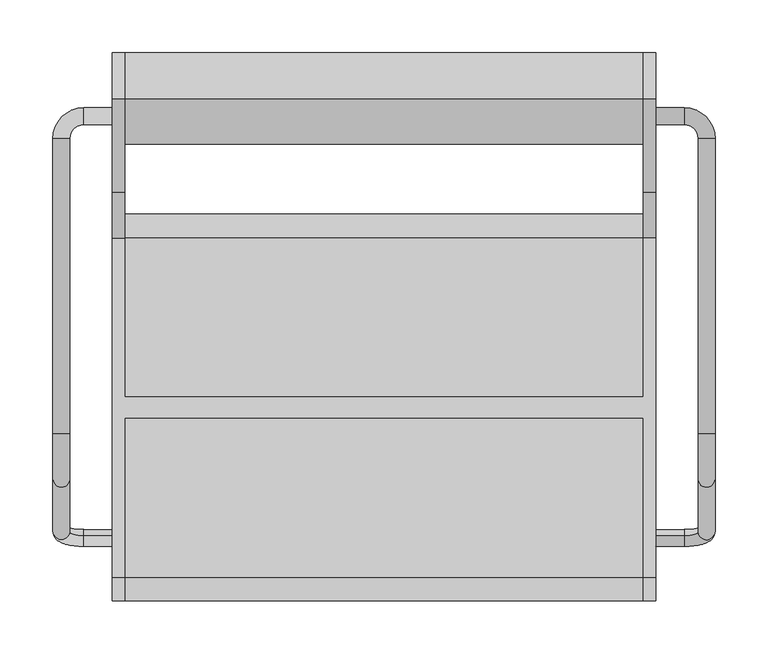
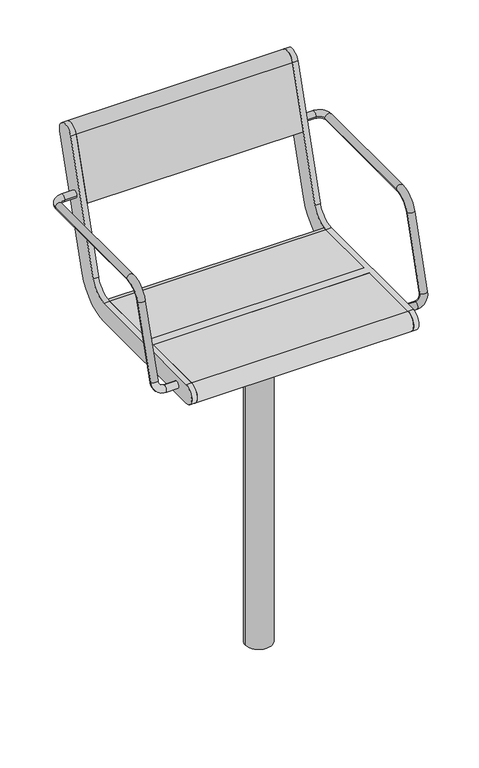
"""IFC4 building model written with IfcOpenShell, lengths in millimetres: furniture geometry."""

from ifc_helpers import new_model, si_unit, point, frame, frame_2d, origin, origin_2d, place, context, project, spatial, polyline, circle_curve, ellipse_curve, trimmed, segment, composite_curve, outline, extrude, source, transform, mapped, element, save
from ifc_brep_helpers import plane_surface, cylinder_surface, revolved_surface, advanced_brep


def furniture_de04de9e(model_context):
    return source(origin(), model_context, "Body", "SolidModel", [
        extrude(outline(composite_curve([segment(trimmed(circle_curve(origin_2d(), 30.0), [point((-30.0, 0.0))], [point((30.0, 0.0))], False, "CARTESIAN"), True, "CONTINUOUS"), segment(trimmed(circle_curve(origin_2d(), 30.0), [point((30.0, 0.0))], [point((-30.0, 0.0))], False, "CARTESIAN"), True, "CONTINUOUS")], self_intersect=False)), frame((0.0, 0.0, -350.0), z_axis=(0.0, 0.0, 1.0), x_axis=(1.0, 0.0, 0.0)), (0.0, 0.0, 1.0), 739.0),
        extrude(outline(polyline([(75.0, 125.0), (75.0, -125.0), (-75.0, -125.0), (-75.0, 125.0), (75.0, 125.0)])), frame((0.0, 0.0, 389.0), z_axis=(0.0, 0.0, 1.0), x_axis=(1.0, 0.0, 0.0)), (0.0, 0.0, 1.0), 16.0),
        advanced_brep(
        [(-257.0, -121.6610264, 435.150438), (-257.0, -126.3389736, 419.849562), (-284.0, -126.3389736, 419.849562), (-284.0, -121.6610264, 435.150438), (-313.0, -117.8601942, 447.5823999), (-297.0, -117.8601942, 447.5823999), (-313.0, 254.0, 641.5), (-313.0, -25.2753858, 641.5), (-297.0, -25.2753858, 641.5), (-297.0, 254.0, 641.5), (-297.0, -68.3090998, 609.6567267), (-313.0, -68.3090998, 609.6567267), (-257.0, 267.0, 641.5), (-257.0, 283.0, 641.5), (-284.0, 283.0, 641.5), (-284.0, 267.0, 641.5)],
        [
            (0, 1, circle_curve(frame((-257.0, -124.0, 427.5), z_axis=(1.0, 0.0, 0.0), x_axis=(0.0, -0.2923717047227402, -0.9563047559630344)), 8.0)),
            (1, 0, circle_curve(frame((-257.0, -124.0, 427.5), z_axis=(1.0, 0.0, 0.0), x_axis=(0.0, -0.2923717047227402, -0.9563047559630344)), 8.0)),
            (1, 2),
            (2, 3, circle_curve(frame((-284.0, -124.0, 427.5), z_axis=(1.0, 0.0, 0.0), x_axis=(0.0, -0.2923717047227402, -0.9563047559630344)), 8.0)),
            (3, 0),
            (3, 2, circle_curve(frame((-284.0, -124.0, 427.5), z_axis=(1.0, 0.0, 0.0), x_axis=(0.0, -0.2923717047227402, -0.9563047559630344)), 8.0)),
            (2, 4, circle_curve(frame((-284.0, -117.8601942, 447.5823999), z_axis=(0.0, 0.9563047559630344, -0.29237170472274027), x_axis=(0.0, -0.29237170472274027, -0.9563047559630344)), 29.0)),
            (4, 5, circle_curve(frame((-305.0, -117.8601942, 447.5823999), z_axis=(0.0, -0.29237170472274027, -0.9563047559630344), x_axis=(-1.0, 0.0, 0.0)), 8.0)),
            (5, 3, circle_curve(frame((-284.0, -117.8601942, 447.5823999), z_axis=(0.0, -0.9563047559630344, 0.29237170472274027), x_axis=(0.0, -0.29237170472274027, -0.9563047559630344)), 13.0)),
            (5, 4, circle_curve(frame((-305.0, -117.8601942, 447.5823999), z_axis=(0.0, -0.29237170472274027, -0.9563047559630344), x_axis=(-1.0, 0.0, 0.0)), 8.0)),
            (6, 7),
            (7, 8, circle_curve(frame((-305.0, -25.2753858, 641.5), z_axis=(0.0, 1.0, 0.0), x_axis=(-1.0, 0.0, 0.0)), 8.0)),
            (8, 9),
            (9, 6, circle_curve(frame((-305.0, 254.0, 641.5), z_axis=(0.0, -1.0, 0.0), x_axis=(-1.0, 0.0, 0.0)), 8.0)),
            (6, 9, circle_curve(frame((-305.0, 254.0, 641.5), z_axis=(0.0, -1.0, 0.0), x_axis=(-1.0, 0.0, 0.0)), 8.0)),
            (8, 7, circle_curve(frame((-305.0, -25.2753858, 641.5), z_axis=(0.0, 1.0, 0.0), x_axis=(-1.0, 0.0, 0.0)), 8.0)),
            (10, 11, circle_curve(frame((-305.0, -68.3090998, 609.6567267), z_axis=(0.0, -0.2923717047227378, -0.9563047559630351), x_axis=(-1.0, 0.0, 0.0)), 8.0)),
            (11, 4),
            (5, 10),
            (11, 10, circle_curve(frame((-305.0, -68.3090998, 609.6567267), z_axis=(0.0, -0.2923717047227378, -0.9563047559630351), x_axis=(-1.0, 0.0, 0.0)), 8.0)),
            (7, 11, circle_curve(frame((-313.0, -25.2753858, 596.5), z_axis=(1.0, 0.0, 0.0), x_axis=(0.0, 0.0, 1.0)), 45.0)),
            (10, 8, circle_curve(frame((-297.0, -25.2753858, 596.5), z_axis=(-1.0, 0.0, 0.0), x_axis=(0.0, 0.0, 1.0)), 45.0)),
            (12, 13, circle_curve(frame((-257.0, 275.0, 641.5), z_axis=(1.0, 0.0, 0.0), x_axis=(0.0, 1.0, 0.0)), 8.0)),
            (13, 12, circle_curve(frame((-257.0, 275.0, 641.5), z_axis=(1.0, 0.0, 0.0), x_axis=(0.0, 1.0, 0.0)), 8.0)),
            (13, 14),
            (14, 15, circle_curve(frame((-284.0, 275.0, 641.5), z_axis=(1.0, 0.0, 0.0), x_axis=(0.0, 1.0, 0.0)), 8.0)),
            (15, 12),
            (15, 14, circle_curve(frame((-284.0, 275.0, 641.5), z_axis=(1.0, 0.0, 0.0), x_axis=(0.0, 1.0, 0.0)), 8.0)),
            (14, 6, circle_curve(frame((-284.0, 254.0, 641.5), z_axis=(0.0, 0.0, 1.0), x_axis=(0.0, 1.0, 0.0)), 29.0)),
            (9, 15, circle_curve(frame((-284.0, 254.0, 641.5), z_axis=(0.0, 0.0, -1.0), x_axis=(0.0, 1.0, 0.0)), 13.0)),
        ],
        [
            plane_surface(frame((-257.0, -737.469501, 615.0564486), z_axis=(1.0, 0.0, 0.0), x_axis=(0.0, 0.9563047559630344, -0.29237170472274027))),
            cylinder_surface(frame((-257.0, -124.0, 427.5), z_axis=(1.0, 0.0, 0.0), x_axis=(0.0, -0.2923717047227402, -0.9563047559630344)), 8.0),
            revolved_surface(trimmed(ellipse_curve(frame((-284.0, -124.0, 427.5), z_axis=(1.0, 0.0, 0.0), x_axis=(0.0, -0.2923717047227402, -0.9563047559630344)), 8.0, 8.0), [point((-284.0, -126.3389736, 419.849562))], [point((-284.0, -121.6610264, 435.150438))], True, "CARTESIAN"), (-284.0, -731.3296952, 635.1388485), (0.0, 0.9563047559630344, -0.29237170472274027)),
            revolved_surface(trimmed(ellipse_curve(frame((-284.0, -124.0, 427.5), z_axis=(1.0, 0.0, 0.0), x_axis=(0.0, -0.2923717047227402, -0.9563047559630344)), 8.0, 8.0), [point((-284.0, -121.6610264, 435.150438))], [point((-284.0, -126.3389736, 419.849562))], True, "CARTESIAN"), (-284.0, -731.3296952, 635.1388485), (0.0, 0.9563047559630344, -0.29237170472274027)),
            cylinder_surface(frame((-305.0, 254.0, 641.5), z_axis=(0.0, 1.0, 0.0), x_axis=(-1.0, 0.0, 0.0)), 8.0),
            cylinder_surface(frame((-305.0, -68.3090998, 609.6567267), z_axis=(0.0, 0.2923717047227378, 0.9563047559630351), x_axis=(-1.0, 0.0, 0.0)), 8.0),
            revolved_surface(trimmed(ellipse_curve(frame((-305.0, -25.2753858, 641.5), z_axis=(0.0, 1.0, 0.0), x_axis=(-1.0, 0.0, 0.0)), 8.0, 8.0), [point((-313.0, -25.2753858, 641.5))], [point((-297.0, -25.2753858, 641.5))], True, "CARTESIAN"), (0.0, -25.2753858, 596.5), (1.0, 0.0, 0.0)),
            revolved_surface(trimmed(ellipse_curve(frame((-305.0, -25.2753858, 641.5), z_axis=(0.0, 1.0, 0.0), x_axis=(-1.0, 0.0, 0.0)), 8.0, 8.0), [point((-297.0, -25.2753858, 641.5))], [point((-313.0, -25.2753858, 641.5))], True, "CARTESIAN"), (0.0, -25.2753858, 596.5), (1.0, 0.0, 0.0)),
            plane_surface(frame((-257.0, 275.0, 405.0), z_axis=(1.0, 0.0, 0.0), x_axis=(0.0, 0.0, 1.0))),
            cylinder_surface(frame((-257.0, 275.0, 641.5), z_axis=(1.0, 0.0, 0.0), x_axis=(0.0, 1.0, 0.0)), 8.0),
            revolved_surface(trimmed(ellipse_curve(frame((-284.0, 275.0, 641.5), z_axis=(1.0, 0.0, 0.0), x_axis=(0.0, 1.0, 0.0)), 8.0, 8.0), [point((-284.0, 283.0, 641.5))], [point((-284.0, 267.0, 641.5))], True, "CARTESIAN"), (-284.0, 254.0, 405.0), (0.0, 0.0, 1.0)),
            revolved_surface(trimmed(ellipse_curve(frame((-284.0, 275.0, 641.5), z_axis=(1.0, 0.0, 0.0), x_axis=(0.0, 1.0, 0.0)), 8.0, 8.0), [point((-284.0, 267.0, 641.5))], [point((-284.0, 283.0, 641.5))], True, "CARTESIAN"), (-284.0, 254.0, 405.0), (0.0, 0.0, 1.0)),
        ],
        [
            (0, [[1, 2]]),
            (1, [[-2, 3, 4, 5]]),
            (1, [[-1, -5, 6, -3]]),
            (2, [[-4, 7, 8, 9]]),
            (3, [[-6, -9, 10, -7]]),
            (4, [[11, 12, 13, 14]]),
            (4, [[-11, 15, -13, 16]]),
            (5, [[17, 18, -10, 19]]),
            (5, [[-18, 20, -19, -8]]),
            (6, [[-12, 21, -17, 22]]),
            (7, [[-16, -22, -20, -21]]),
            (8, [[23, 24]]),
            (9, [[-24, 25, 26, 27]]),
            (9, [[-23, -27, 28, -25]]),
            (10, [[-26, 29, -14, 30]]),
            (11, [[-28, -30, -15, -29]]),
        ],
    ),
        advanced_brep(
        [(297.0, 254.0, 641.5), (297.0, -25.2753858, 641.5), (313.0, -25.2753858, 641.5), (313.0, 254.0, 641.5), (313.0, -68.3090998, 609.6567267), (297.0, -68.3090998, 609.6567267), (297.0, -117.8601942, 447.5823999), (313.0, -117.8601942, 447.5823999), (257.0, 267.0, 641.5), (257.0, 283.0, 641.5), (284.0, 267.0, 641.5), (284.0, 283.0, 641.5), (257.0, -121.6610264, 435.150438), (257.0, -126.3389736, 419.849562), (284.0, -121.6610264, 435.150438), (284.0, -126.3389736, 419.849562)],
        [
            (0, 1),
            (1, 2, circle_curve(frame((305.0, -25.2753858, 641.5), z_axis=(0.0, 1.0, 0.0), x_axis=(1.0, 0.0, 0.0)), 8.0)),
            (2, 3),
            (3, 0, circle_curve(frame((305.0, 254.0, 641.5), z_axis=(0.0, -1.0, 0.0), x_axis=(1.0, 0.0, 0.0)), 8.0)),
            (0, 3, circle_curve(frame((305.0, 254.0, 641.5), z_axis=(0.0, -1.0, 0.0), x_axis=(1.0, 0.0, 0.0)), 8.0)),
            (2, 1, circle_curve(frame((305.0, -25.2753858, 641.5), z_axis=(0.0, 1.0, 0.0), x_axis=(1.0, 0.0, 0.0)), 8.0)),
            (4, 5, circle_curve(frame((305.0, -68.3090998, 609.6567267), z_axis=(0.0, -0.2923717047227378, -0.9563047559630351), x_axis=(1.0, 0.0, 0.0)), 8.0)),
            (5, 6),
            (6, 7, circle_curve(frame((305.0, -117.8601942, 447.5823999), z_axis=(0.0, 0.2923717047227378, 0.9563047559630351), x_axis=(1.0, 0.0, 0.0)), 8.0)),
            (7, 4),
            (5, 4, circle_curve(frame((305.0, -68.3090998, 609.6567267), z_axis=(0.0, -0.2923717047227378, -0.9563047559630351), x_axis=(1.0, 0.0, 0.0)), 8.0)),
            (7, 6, circle_curve(frame((305.0, -117.8601942, 447.5823999), z_axis=(0.0, 0.2923717047227378, 0.9563047559630351), x_axis=(1.0, 0.0, 0.0)), 8.0)),
            (1, 5, circle_curve(frame((297.0, -25.2753858, 596.5), z_axis=(1.0, 0.0, 0.0), x_axis=(0.0, 0.0, 1.0)), 45.0)),
            (4, 2, circle_curve(frame((313.0, -25.2753858, 596.5), z_axis=(-1.0, 0.0, 0.0), x_axis=(0.0, 0.0, 1.0)), 45.0)),
            (8, 9, circle_curve(frame((257.0, 275.0, 641.5), z_axis=(-1.0, 0.0, 0.0), x_axis=(0.0, 1.0, 0.0)), 8.0)),
            (9, 8, circle_curve(frame((257.0, 275.0, 641.5), z_axis=(-1.0, 0.0, 0.0), x_axis=(0.0, 1.0, 0.0)), 8.0)),
            (8, 10),
            (10, 11, circle_curve(frame((284.0, 275.0, 641.5), z_axis=(-1.0, 0.0, 0.0), x_axis=(0.0, 1.0, 0.0)), 8.0)),
            (11, 9),
            (11, 10, circle_curve(frame((284.0, 275.0, 641.5), z_axis=(-1.0, 0.0, 0.0), x_axis=(0.0, 1.0, 0.0)), 8.0)),
            (10, 0, circle_curve(frame((284.0, 254.0, 641.5), z_axis=(0.0, 0.0, -1.0), x_axis=(0.0, 1.0, 0.0)), 13.0)),
            (3, 11, circle_curve(frame((284.0, 254.0, 641.5), z_axis=(0.0, 0.0, 1.0), x_axis=(0.0, 1.0, 0.0)), 29.0)),
            (12, 13, circle_curve(frame((257.0, -124.0, 427.5), z_axis=(-1.0, 0.0, 0.0), x_axis=(0.0, -0.2923717047227402, -0.9563047559630344)), 8.0)),
            (13, 12, circle_curve(frame((257.0, -124.0, 427.5), z_axis=(-1.0, 0.0, 0.0), x_axis=(0.0, -0.2923717047227402, -0.9563047559630344)), 8.0)),
            (12, 14),
            (14, 15, circle_curve(frame((284.0, -124.0, 427.5), z_axis=(-1.0, 0.0, 0.0), x_axis=(0.0, -0.2923717047227402, -0.9563047559630344)), 8.0)),
            (15, 13),
            (15, 14, circle_curve(frame((284.0, -124.0, 427.5), z_axis=(-1.0, 0.0, 0.0), x_axis=(0.0, -0.2923717047227402, -0.9563047559630344)), 8.0)),
            (14, 6, circle_curve(frame((284.0, -117.8601942, 447.5823999), z_axis=(0.0, -0.9563047559630344, 0.2923717047227402), x_axis=(0.0, -0.2923717047227402, -0.9563047559630344)), 13.0)),
            (7, 15, circle_curve(frame((284.0, -117.8601942, 447.5823999), z_axis=(0.0, 0.9563047559630344, -0.2923717047227402), x_axis=(0.0, -0.2923717047227402, -0.9563047559630344)), 29.0)),
        ],
        [
            cylinder_surface(frame((305.0, 254.0, 641.5), z_axis=(0.0, 1.0, 0.0), x_axis=(1.0, 0.0, 0.0)), 8.0),
            cylinder_surface(frame((305.0, -68.3090998, 609.6567267), z_axis=(0.0, 0.2923717047227378, 0.9563047559630351), x_axis=(1.0, 0.0, 0.0)), 8.0),
            revolved_surface(trimmed(ellipse_curve(frame((305.0, -25.2753858, 641.5), z_axis=(0.0, 1.0, 0.0), x_axis=(1.0, 0.0, 0.0)), 8.0, 8.0), [point((297.0, -25.2753858, 641.5))], [point((313.0, -25.2753858, 641.5))], True, "CARTESIAN"), (0.0, -25.2753858, 596.5), (1.0, 0.0, 0.0)),
            revolved_surface(trimmed(ellipse_curve(frame((305.0, -25.2753858, 641.5), z_axis=(0.0, 1.0, 0.0), x_axis=(1.0, 0.0, 0.0)), 8.0, 8.0), [point((313.0, -25.2753858, 641.5))], [point((297.0, -25.2753858, 641.5))], True, "CARTESIAN"), (0.0, -25.2753858, 596.5), (1.0, 0.0, 0.0)),
            plane_surface(frame((257.0, 275.0, 405.0), z_axis=(-1.0, 0.0, 0.0), x_axis=(0.0, 0.0, 1.0))),
            cylinder_surface(frame((257.0, 275.0, 641.5), z_axis=(-1.0, 0.0, 0.0), x_axis=(0.0, 1.0, 0.0)), 8.0),
            revolved_surface(trimmed(ellipse_curve(frame((284.0, 275.0, 641.5), z_axis=(-1.0, 0.0, 0.0), x_axis=(0.0, 1.0, 0.0)), 8.0, 8.0), [point((284.0, 267.0, 641.5))], [point((284.0, 283.0, 641.5))], True, "CARTESIAN"), (284.0, 254.0, 405.0), (0.0, 0.0, -1.0)),
            revolved_surface(trimmed(ellipse_curve(frame((284.0, 275.0, 641.5), z_axis=(-1.0, 0.0, 0.0), x_axis=(0.0, 1.0, 0.0)), 8.0, 8.0), [point((284.0, 283.0, 641.5))], [point((284.0, 267.0, 641.5))], True, "CARTESIAN"), (284.0, 254.0, 405.0), (0.0, 0.0, -1.0)),
            plane_surface(frame((257.0, -737.469501, 615.0564486), z_axis=(-1.0, 0.0, 0.0), x_axis=(0.0, 0.9563047559630344, -0.2923717047227402))),
            cylinder_surface(frame((257.0, -124.0, 427.5), z_axis=(-1.0, 0.0, 0.0), x_axis=(0.0, -0.2923717047227402, -0.9563047559630344)), 8.0),
            revolved_surface(trimmed(ellipse_curve(frame((284.0, -124.0, 427.5), z_axis=(-1.0, 0.0, 0.0), x_axis=(0.0, -0.2923717047227402, -0.9563047559630344)), 8.0, 8.0), [point((284.0, -121.6610264, 435.150438))], [point((284.0, -126.3389736, 419.849562))], True, "CARTESIAN"), (284.0, -731.3296952, 635.1388485), (0.0, -0.9563047559630344, 0.2923717047227402)),
            revolved_surface(trimmed(ellipse_curve(frame((284.0, -124.0, 427.5), z_axis=(-1.0, 0.0, 0.0), x_axis=(0.0, -0.2923717047227402, -0.9563047559630344)), 8.0, 8.0), [point((284.0, -126.3389736, 419.849562))], [point((284.0, -121.6610264, 435.150438))], True, "CARTESIAN"), (284.0, -731.3296952, 635.1388485), (0.0, -0.9563047559630344, 0.2923717047227402)),
        ],
        [
            (0, [[1, 2, 3, 4]]),
            (0, [[-1, 5, -3, 6]]),
            (1, [[7, 8, 9, 10]]),
            (1, [[-8, 11, -10, 12]]),
            (2, [[-2, 13, -7, 14]]),
            (3, [[-6, -14, -11, -13]]),
            (4, [[15, 16]]),
            (5, [[-15, 17, 18, 19]]),
            (5, [[-16, -19, 20, -17]]),
            (6, [[-18, 21, -4, 22]]),
            (7, [[-20, -22, -5, -21]]),
            (8, [[23, 24]]),
            (9, [[-23, 25, 26, 27]]),
            (9, [[-24, -27, 28, -25]]),
            (10, [[-26, 29, -12, 30]]),
            (11, [[-28, -30, -9, -29]]),
        ],
    ),
        advanced_brep(
        [(-245.0, 291.0375971, 769.6910048), (-245.0, 203.033714, 481.8432733), (-245.0, 160.0, 450.0), (-245.0, 9.5, 450.0), (-245.0, 9.5, 405.0), (-245.0, 160.0, 405.0), (-245.0, 246.067428, 468.6865466), (-245.0, 334.0713112, 756.5342781), (-245.0, -161.0, 450.0), (-245.0, -161.0, 405.0), (-245.0, -10.5, 405.0), (-245.0, -10.5, 450.0), (-257.0, 291.0375971, 769.6910048), (-257.0, 334.0713112, 756.5342781), (-257.0, 246.067428, 468.6865466), (-257.0, 160.0, 405.0), (-257.0, -161.0, 405.0), (-257.0, -161.0, 450.0), (-257.0, 160.0, 450.0), (-257.0, 203.033714, 481.8432733), (245.0, -10.5, 450.0), (245.0, -161.0, 450.0), (257.0, -161.0, 450.0), (257.0, 160.0, 450.0), (245.0, 160.0, 450.0), (245.0, 9.5, 450.0), (245.0, 9.5, 405.0), (245.0, 160.0, 405.0), (257.0, 160.0, 405.0), (257.0, -161.0, 405.0), (245.0, -161.0, 405.0), (245.0, -10.5, 405.0), (257.0, 291.0375971, 769.6910048), (257.0, 203.033714, 481.8432733), (257.0, 246.067428, 468.6865466), (257.0, 334.0713112, 756.5342781), (245.0, 291.0375971, 769.6910048), (245.0, 334.0713112, 756.5342781), (245.0, 246.067428, 468.6865466), (245.0, 203.033714, 481.8432733)],
        [
            (0, 1),
            (1, 2, circle_curve(frame((-245.0, 160.0, 495.0), z_axis=(-1.0, 0.0, 0.0), x_axis=(0.0, -1.0, 0.0)), 45.0)),
            (2, 3),
            (3, 4),
            (4, 5),
            (5, 6, circle_curve(frame((-245.0, 160.0, 495.0), z_axis=(1.0, 0.0, 0.0), x_axis=(0.0, -1.0, 0.0)), 90.0)),
            (6, 7),
            (7, 0, circle_curve(frame((-245.0, 312.5544541, 763.1126415), z_axis=(1.0, 0.0, 0.0), x_axis=(0.0, -1.0, 0.0)), 22.5)),
            (8, 9, circle_curve(frame((-245.0, -161.0, 427.5), z_axis=(1.0, 0.0, 0.0), x_axis=(0.0, -1.0, 0.0)), 22.5)),
            (9, 10),
            (10, 11),
            (11, 8),
            (12, 13, circle_curve(frame((-257.0, 312.5544541, 763.1126415), z_axis=(-1.0, 0.0, 0.0), x_axis=(0.0, -1.0, 0.0)), 22.5)),
            (13, 14),
            (14, 15, circle_curve(frame((-257.0, 160.0, 495.0), z_axis=(-1.0, 0.0, 0.0), x_axis=(0.0, -1.0, 0.0)), 90.0)),
            (15, 16),
            (16, 17, circle_curve(frame((-257.0, -161.0, 427.5), z_axis=(-1.0, 0.0, 0.0), x_axis=(0.0, -1.0, 0.0)), 22.5)),
            (17, 18),
            (18, 19, circle_curve(frame((-257.0, 160.0, 495.0), z_axis=(1.0, 0.0, 0.0), x_axis=(0.0, -1.0, 0.0)), 45.0)),
            (19, 12),
            (0, 12),
            (19, 1),
            (18, 2),
            (17, 8),
            (11, 20),
            (20, 21),
            (21, 22),
            (22, 23),
            (23, 24),
            (24, 25),
            (25, 3),
            (15, 5),
            (4, 26),
            (26, 27),
            (27, 28),
            (28, 29),
            (29, 30),
            (30, 31),
            (31, 10),
            (9, 16),
            (14, 6),
            (13, 7),
            (31, 20),
            (25, 26),
            (32, 33),
            (33, 23, circle_curve(frame((257.0, 160.0, 495.0), z_axis=(-1.0, 0.0, 0.0), x_axis=(0.0, -1.0, 0.0)), 45.0)),
            (22, 29, circle_curve(frame((257.0, -161.0, 427.5), z_axis=(1.0, 0.0, 0.0), x_axis=(0.0, -1.0, 0.0)), 22.5)),
            (28, 34, circle_curve(frame((257.0, 160.0, 495.0), z_axis=(1.0, 0.0, 0.0), x_axis=(0.0, -1.0, 0.0)), 90.0)),
            (34, 35),
            (35, 32, circle_curve(frame((257.0, 312.5544541, 763.1126415), z_axis=(1.0, 0.0, 0.0), x_axis=(0.0, -1.0, 0.0)), 22.5)),
            (36, 37, circle_curve(frame((245.0, 312.5544541, 763.1126415), z_axis=(-1.0, 0.0, 0.0), x_axis=(0.0, -1.0, 0.0)), 22.5)),
            (37, 38),
            (38, 27, circle_curve(frame((245.0, 160.0, 495.0), z_axis=(-1.0, 0.0, 0.0), x_axis=(0.0, -1.0, 0.0)), 90.0)),
            (24, 39, circle_curve(frame((245.0, 160.0, 495.0), z_axis=(1.0, 0.0, 0.0), x_axis=(0.0, -1.0, 0.0)), 45.0)),
            (39, 36),
            (30, 21, circle_curve(frame((245.0, -161.0, 427.5), z_axis=(-1.0, 0.0, 0.0), x_axis=(0.0, -1.0, 0.0)), 22.5)),
            (32, 36),
            (39, 33),
            (38, 34),
            (37, 35),
        ],
        [
            plane_surface(frame((-245.0, 203.033714, 481.8432733), z_axis=(1.0000000000000002, 0.0, 0.0), x_axis=(0.0, -0.29237170472273394, -0.9563047559630364))),
            plane_surface(frame((-257.0, 203.033714, 481.8432733), z_axis=(-1.0000000000000002, 0.0, 0.0), x_axis=(0.0, 0.29237170472273394, 0.9563047559630364))),
            plane_surface(frame((-245.0, 291.0375971, 769.6910048), z_axis=(0.0, -0.9563047559630364, 0.29237170472273394), x_axis=(-1.0, 0.0, 0.0))),
            revolved_surface(polyline([(-257.0, 115.0, 495.0), (-245.0, 115.0, 495.0)]), (-257.0, 160.0, 495.0), (-1.0, 0.0, 0.0)),
            plane_surface(frame((-245.0, 160.0, 450.0), z_axis=(0.0, 0.0, 1.0), x_axis=(-1.0, 0.0, 0.0))),
            plane_surface(frame((-245.0, -161.0, 405.0), z_axis=(0.0, 0.0, -1.0), x_axis=(-1.0, 0.0, 0.0))),
            cylinder_surface(frame((-257.0, 160.0, 495.0), z_axis=(1.0, 0.0, 0.0), x_axis=(0.0, -1.0, 0.0)), 90.0),
            plane_surface(frame((-245.0, 246.067428, 468.6865466), z_axis=(0.0, 0.9563047559630364, -0.29237170472273366), x_axis=(-1.0, 0.0, 0.0))),
            cylinder_surface(frame((-257.0, 312.5544541, 763.1126415), z_axis=(1.0, 0.0, 0.0), x_axis=(0.0, -1.0, 0.0)), 22.5),
            cylinder_surface(frame((-257.0, -161.0, 427.5), z_axis=(1.0, 0.0, 0.0), x_axis=(0.0, -1.0, 0.0)), 22.5),
            plane_surface(frame((245.0, -10.5, 450.0), z_axis=(0.0, -1.0, 0.0), x_axis=(-1.0, 0.0, 0.0))),
            plane_surface(frame((245.0, 9.5, 405.0), z_axis=(0.0, 1.0, 0.0), x_axis=(-1.0, 0.0, 0.0))),
            plane_surface(frame((257.0, 203.033714, 481.8432733), z_axis=(1.0000000000000002, 0.0, 0.0), x_axis=(0.0, -0.29237170472273394, -0.9563047559630364))),
            plane_surface(frame((245.0, 203.033714, 481.8432733), z_axis=(-1.0000000000000002, 0.0, 0.0), x_axis=(0.0, 0.29237170472273394, 0.9563047559630364))),
            plane_surface(frame((257.0, 291.0375971, 769.6910048), z_axis=(0.0, -0.9563047559630364, 0.29237170472273394), x_axis=(-1.0, 0.0, 0.0))),
            revolved_surface(polyline([(245.0, 115.0, 495.0), (257.0, 115.0, 495.0)]), (245.0, 160.0, 495.0), (-1.0, 0.0, 0.0)),
            cylinder_surface(frame((245.0, 160.0, 495.0), z_axis=(1.0, 0.0, 0.0), x_axis=(0.0, -1.0, 0.0)), 90.0),
            plane_surface(frame((257.0, 246.067428, 468.6865466), z_axis=(0.0, 0.9563047559630364, -0.29237170472273366), x_axis=(-1.0, 0.0, 0.0))),
            cylinder_surface(frame((245.0, 312.5544541, 763.1126415), z_axis=(1.0, 0.0, 0.0), x_axis=(0.0, -1.0, 0.0)), 22.5),
            cylinder_surface(frame((245.0, -161.0, 427.5), z_axis=(1.0, 0.0, 0.0), x_axis=(0.0, -1.0, 0.0)), 22.5),
        ],
        [
            (0, [[1, 2, 3, 4, 5, 6, 7, 8]]),
            (0, [[9, 10, 11, 12]]),
            (1, [[13, 14, 15, 16, 17, 18, 19, 20]]),
            (2, [[-1, 21, -20, 22]]),
            (3, [[-2, -22, -19, 23]]),
            (4, [[-18, 24, -12, 25, 26, 27, 28, 29, 30, 31, -3, -23]]),
            (5, [[-16, 32, -5, 33, 34, 35, 36, 37, 38, 39, -10, 40]]),
            (6, [[-6, -32, -15, 41]]),
            (7, [[-7, -41, -14, 42]]),
            (8, [[-8, -42, -13, -21]]),
            (9, [[-9, -24, -17, -40]]),
            (10, [[-25, -11, -39, 43]]),
            (11, [[-31, 44, -33, -4]]),
            (12, [[45, 46, -28, 47, -36, 48, 49, 50]]),
            (13, [[51, 52, 53, -34, -44, -30, 54, 55]]),
            (13, [[56, -26, -43, -38]]),
            (14, [[-45, 57, -55, 58]]),
            (15, [[-46, -58, -54, -29]]),
            (16, [[-48, -35, -53, 59]]),
            (17, [[-49, -59, -52, 60]]),
            (18, [[-50, -60, -51, -57]]),
            (19, [[-47, -27, -56, -37]]),
        ],
    ),
        extrude(outline(composite_curve([segment(trimmed(circle_curve(frame_2d((312.5544541, 763.1126415)), 22.5), [point((291.0375971, 769.6910048))], [point((334.0713112, 756.5342781))], False, "CARTESIAN"), True, "CONTINUOUS"), segment(polyline([(334.0713112, 756.5342781), (291.5312281, 617.3919361), (248.4975141, 630.5486628), (291.0375971, 769.6910048)]), True, "CONTINUOUS")], self_intersect=False)), frame((-245.0, 0.0, 0.0), z_axis=(1.0, 0.0, 0.0), x_axis=(0.0, 1.0, 0.0)), (0.0, 0.0, 1.0), 490.0),
        extrude(outline(composite_curve([segment(polyline([(9.5, 405.0), (9.5, 450.0), (160.0, 450.0)]), True, "CONTINUOUS"), segment(trimmed(circle_curve(frame_2d((160.0, 427.5)), 22.5), [point((160.0, 450.0))], [point((160.0, 405.0))], False, "CARTESIAN"), True, "CONTINUOUS"), segment(polyline([(160.0, 405.0), (9.5, 405.0)]), True, "CONTINUOUS")], self_intersect=False)), frame((-245.0, 0.0, 0.0), z_axis=(1.0, 0.0, 0.0), x_axis=(0.0, 1.0, 0.0)), (0.0, 0.0, 1.0), 490.0),
        extrude(outline(composite_curve([segment(polyline([(-10.5, 405.0), (-161.0, 405.0)]), True, "CONTINUOUS"), segment(trimmed(circle_curve(frame_2d((-161.0, 427.5)), 22.5), [point((-161.0, 405.0))], [point((-161.0, 450.0))], False, "CARTESIAN"), True, "CONTINUOUS"), segment(polyline([(-161.0, 450.0), (-10.5, 450.0), (-10.5, 405.0)]), True, "CONTINUOUS")], self_intersect=False)), frame((-245.0, 0.0, 0.0), z_axis=(1.0, 0.0, 0.0), x_axis=(0.0, 1.0, 0.0)), (0.0, 0.0, 1.0), 490.0),
    ])


if __name__ == "__main__":
    model = new_model("IFC4")
    model_context = context("Model", 3, world=origin())
    ifc_project = project(units=[si_unit("LENGTHUNIT", "METRE", prefix="MILLI")], contexts=[model_context])
    site = spatial("IfcSite", under=ifc_project)
    building = spatial("IfcBuilding", under=site)
    placement = place(None, origin())
    furniture_shape = furniture_de04de9e(model_context)
    element("IfcFurniture", 1, at=placement, inside=building, context=model_context, shape_type="MappedRepresentation", body=[
        mapped(furniture_shape, transform((0.0, 0.0, 0.0), x_axis=(1.0, 0.0, 0.0), y_axis=(0.0, 1.0, 0.0), z_axis=(0.0, 0.0, 1.0))),
    ])
    save(model, "model.ifc")
